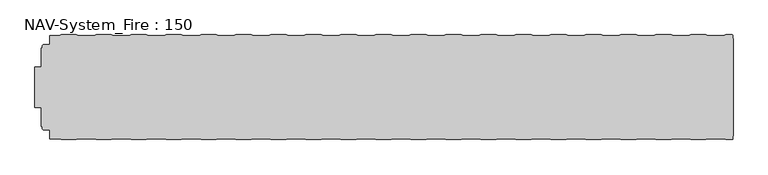
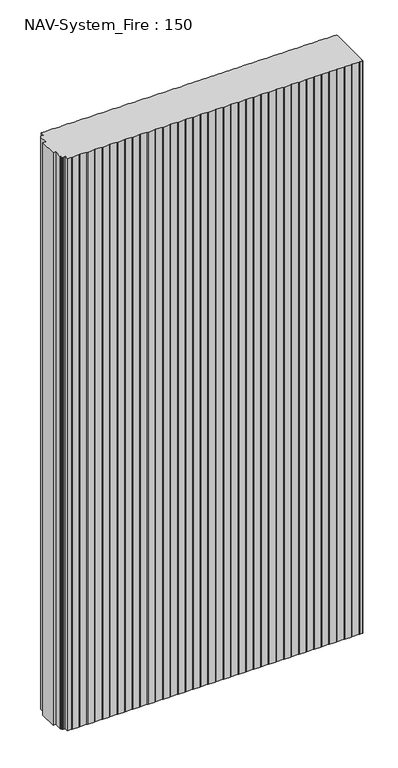
"""IFC4 building model written with IfcOpenShell, lengths in millimetres: plate geometry, NAV-System_Fire : 150."""

from ifc_helpers import new_model, si_unit, point, frame_2d, origin, origin_with_axes, place, context, project, spatial, polyline, circle_curve, trimmed, segment, composite_curve, outline, extrude, source, transform, mapped, element, save


def nav_system_fire_150_6905a264(model_context):
    return source(origin(), model_context, "Body", "SweptSolid", [
        extrude(outline(composite_curve([segment(polyline([(489.3798221, -0.8), (498.2500017, -0.8)]), True, "CONTINUOUS"), segment(trimmed(circle_curve(frame_2d((498.2500017, -2.0000002)), 1.2000002), [point((498.2500017, -0.8))], [point((499.4471561, -1.9174062))], False, "CARTESIAN"), True, "CONTINUOUS"), segment(polyline([(499.4471561, -1.9174062), (499.4471561, -6.2000106), (499.75, -6.2000106), (499.75, -145.3999955), (499.4471561, -145.3999955), (499.4471561, -149.6454029)]), True, "CONTINUOUS"), segment(trimmed(circle_curve(frame_2d((498.2925591, -149.6454029)), 1.1545971), [point((499.4471561, -149.6454029))], [point((498.2925591, -150.8))], False, "CARTESIAN"), True, "CONTINUOUS"), segment(polyline([(498.2925591, -150.8), (489.3798221, -150.8), (486.3798221, -149.8), (464.1201779, -149.8), (461.1201779, -150.8), (439.3798221, -150.8), (436.3798221, -149.8), (414.1201779, -149.8), (411.1201779, -150.8), (389.3798221, -150.8), (386.3798221, -149.8), (364.1201779, -149.8), (361.1201779, -150.8), (339.3798221, -150.8), (336.3798221, -149.8), (314.1201779, -149.8), (311.1201779, -150.8), (289.3798221, -150.8), (286.3798221, -149.8), (264.1201779, -149.8), (261.1201779, -150.8), (239.3798221, -150.8), (236.3798221, -149.8), (214.1201779, -149.8), (211.1201779, -150.8), (189.3798221, -150.8), (186.3798221, -149.8), (164.1201779, -149.8), (161.1201779, -150.8), (139.3798221, -150.8), (136.3798221, -149.8), (114.1201779, -149.8), (111.1201779, -150.8), (89.3798221, -150.8), (86.3798221, -149.8), (64.1201779, -149.8), (61.1201779, -150.8), (39.3798221, -150.8), (36.3798221, -149.8), (14.1201779, -149.8), (11.1201779, -150.8), (-10.6201779, -150.8), (-13.6201779, -149.8), (-35.8798221, -149.8), (-38.8798221, -150.8), (-60.6201779, -150.8), (-63.6201779, -149.8), (-85.8798221, -149.8), (-88.8798221, -150.8), (-110.6201779, -150.8), (-113.6201779, -149.8), (-135.8798221, -149.8), (-138.8798221, -150.8), (-160.6201779, -150.8), (-163.6201779, -149.8), (-185.8798221, -149.8), (-188.8798221, -150.8), (-210.6201779, -150.8), (-213.6201779, -149.8), (-235.8798221, -149.8), (-238.8798221, -150.8), (-260.6201779, -150.8), (-263.6201779, -149.8), (-285.8798221, -149.8), (-288.8798221, -150.8), (-310.6201779, -150.8), (-313.6201779, -149.8), (-335.8798221, -149.8), (-338.8798221, -150.8), (-360.6201779, -150.8), (-363.6201779, -149.8), (-385.8798221, -149.8), (-388.8798221, -150.8), (-410.6201779, -150.8), (-413.6201779, -149.8), (-435.8798221, -149.8), (-438.8798221, -150.8), (-460.6201779, -150.8), (-463.6201779, -149.8), (-476.9102086, -149.8), (-476.9102086, -137.1656781), (-483.4274762, -137.1656781), (-485.8625665, -136.7363058)]), True, "CONTINUOUS"), segment(trimmed(circle_curve(frame_2d((-485.5499995, -134.963651)), 1.8000009), [point((-485.8625665, -136.7363058))], [point((-487.3500004, -134.963651))], False, "CARTESIAN"), True, "CONTINUOUS"), segment(polyline([(-487.3500004, -134.963651), (-487.3500004, -131.6488001), (-488.9000495, -131.6488001), (-488.9000495, -104.8), (-497.9027105, -104.8), (-497.9027105, -46.8), (-488.9002227, -46.8), (-488.9002227, -19.9512003), (-487.3500004, -19.9512003), (-487.3500004, -16.6387681)]), True, "CONTINUOUS"), segment(trimmed(circle_curve(frame_2d((-485.5499995, -16.6387681)), 1.8000009), [point((-487.3500004, -16.6387681))], [point((-485.8625665, -14.8661133))], False, "CARTESIAN"), True, "CONTINUOUS"), segment(polyline([(-485.8625665, -14.8661133), (-483.4274762, -14.436741), (-476.9102086, -14.436741), (-476.9102086, -1.8), (-463.6201779, -1.8), (-460.6201779, -0.8), (-438.8798221, -0.8), (-435.8798221, -1.8), (-413.6201779, -1.8), (-410.6201779, -0.8), (-388.8798221, -0.8), (-385.8798221, -1.8), (-363.6201779, -1.8), (-360.6201779, -0.8), (-338.8798221, -0.8), (-335.8798221, -1.8), (-313.6201779, -1.8), (-310.6201779, -0.8), (-288.8798221, -0.8), (-285.8798221, -1.8), (-263.6201779, -1.8), (-260.6201779, -0.8), (-238.8798221, -0.8), (-235.8798221, -1.8), (-213.6201779, -1.8), (-210.6201779, -0.8), (-188.8798221, -0.8), (-185.8798221, -1.8), (-163.6201779, -1.8), (-160.6201779, -0.8), (-138.8798221, -0.8), (-135.8798221, -1.8), (-113.6201779, -1.8), (-110.6201779, -0.8), (-88.8798221, -0.8), (-85.8798221, -1.8), (-63.6201779, -1.8), (-60.6201779, -0.8), (-38.8798221, -0.8), (-35.8798221, -1.8), (-13.6201779, -1.8), (-10.6201779, -0.8), (11.1201779, -0.8), (14.1201779, -1.8), (36.3798221, -1.8), (39.3798221, -0.8), (61.1201779, -0.8), (64.1201779, -1.8), (86.3798221, -1.8), (89.3798221, -0.8), (111.1201779, -0.8), (114.1201779, -1.8), (136.3798221, -1.8), (139.3798221, -0.8), (161.1201779, -0.8), (164.1201779, -1.8), (186.3798221, -1.8), (189.3798221, -0.8), (211.1201779, -0.8), (214.1201779, -1.8), (236.3798221, -1.8), (239.3798221, -0.8), (261.1201779, -0.8), (264.1201779, -1.8), (286.3798221, -1.8), (289.3798221, -0.8), (311.1201779, -0.8), (314.1201779, -1.8), (336.3798221, -1.8), (339.3798221, -0.8), (361.1201779, -0.8), (364.1201779, -1.8), (386.3798221, -1.8), (389.3798221, -0.8), (411.1201779, -0.8), (414.1201779, -1.8), (436.3798221, -1.8), (439.3798221, -0.8), (461.1201779, -0.8), (464.1201779, -1.8), (486.3798221, -1.8), (489.3798221, -0.8)]), True, "CONTINUOUS")], self_intersect=False)), origin_with_axes(), (0.0, 0.0, 1.0), 2000.0),
    ])


if __name__ == "__main__":
    model = new_model("IFC4")
    model_context = context("Model", 3, world=origin())
    ifc_project = project(units=[si_unit("LENGTHUNIT", "METRE", prefix="MILLI")], contexts=[model_context])
    site = spatial("IfcSite", under=ifc_project)
    building = spatial("IfcBuilding", under=site)
    placement = place(None, origin())
    nav_system_fire_150_shape = nav_system_fire_150_6905a264(model_context)
    element("IfcPlate", 1, ObjectType="NAV-System_Fire : 150", at=placement, inside=building, context=model_context, shape_type="MappedRepresentation", body=[
        mapped(nav_system_fire_150_shape, transform((0.0, 0.0, 0.0), x_axis=(1.0, 0.0, 0.0), y_axis=(0.0, 1.0, 0.0), z_axis=(0.0, 0.0, 1.0))),
    ])
    save(model, "model.ifc")
